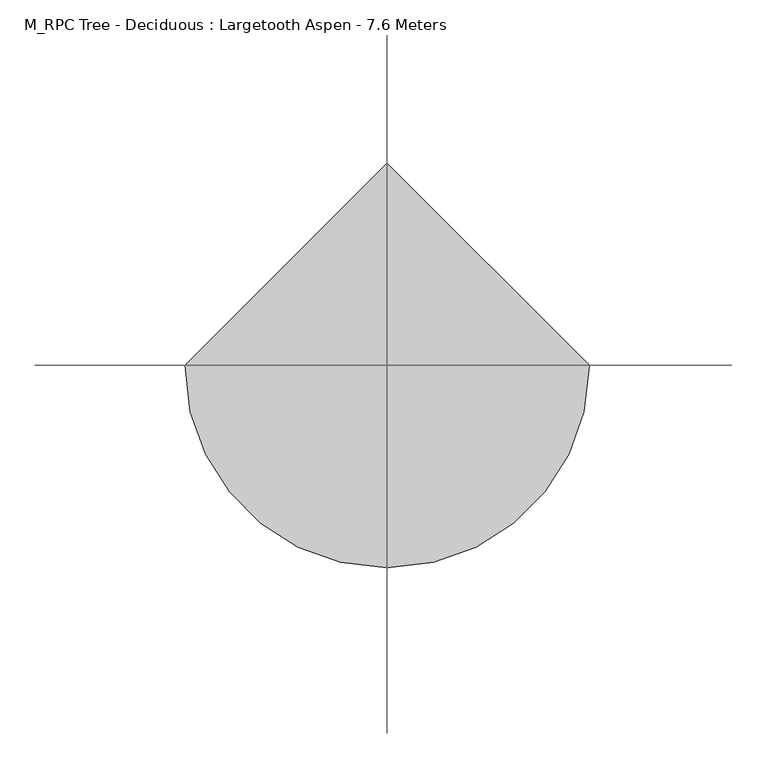
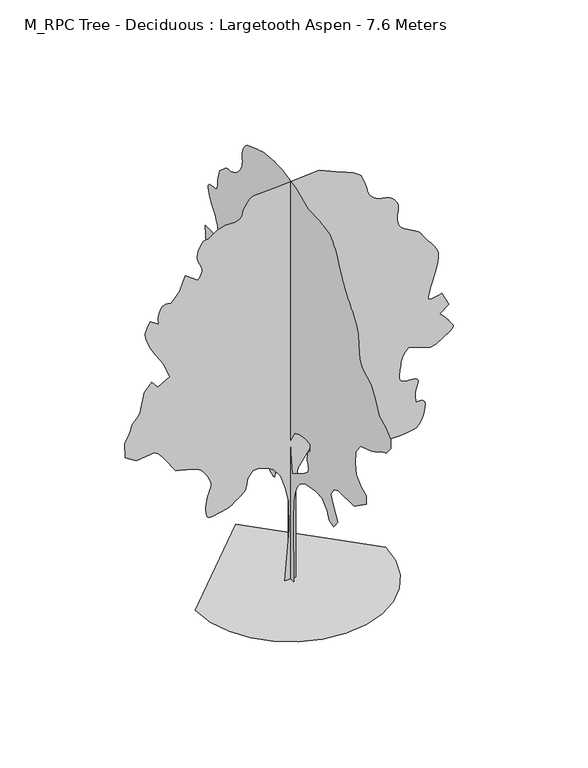
"""IFC4 building model written with IfcOpenShell, lengths in millimetres: geographic element geometry, M_RPC Tree - Deciduous : Largetooth Aspen - 7.6 Meters."""

from ifc_helpers import new_model, si_unit, origin, place, context, project, spatial, triangles, source, transform, mapped, element, save


def m_rpc_tree_deciduous_largetooth_aspen_7_6_meters_a2efc43f(model_context):
    return source(origin(), model_context, "Body", "Tessellation", [
        triangles([(92.8617737, 0.000406, 0.005513), (-103.915959, 0.000406, 0.005513), (-22.8901635, 0.0003494, 949.1680813), (-34.4652064, 0.0003176, 1481.626133), (-92.3406663, 0.0003011, 1759.4311237), (-173.3674883, 0.0002866, 2002.5093098), (-300.6936918, 0.0002762, 2176.1362118), (-404.8693279, 0.0002728, 2234.0127663), (-566.9214277, 0.0002694, 2291.8891754), (-682.6743914, 0.0002694, 2291.8891754), (-763.7004049, 0.0002762, 2176.1362118), (-798.427355, 0.0002852, 2025.6589142), (-801.2950579, 0.0002863, 2008.1460297), (-806.4934324, 0.0002874, 1989.7185207), (-816.3455927, 0.0002886, 1969.4722275), (-833.1871519, 0.0002899, 1946.489764), (-859.3387533, 0.0002915, 1919.8644997), (-897.1360102, 0.0002934, 1888.6816647), (-948.9046526, 0.0002956, 1852.0320122), (-998.3097038, 0.0002977, 1817.003627), (-1032.3247061, 0.0002993, 1790.0718407), (-1058.2431822, 0.0003005, 1769.4200489), (-1083.3510246, 0.0003015, 1753.2219097), (-1114.9365967, 0.0003023, 1739.6560226), (-1160.2933485, 0.000303, 1726.8980804), (-1226.7072453, 0.0003038, 1713.1294441), (-1299.8367931, 0.0003048, 1697.5064152), (-1361.0192505, 0.0003056, 1683.0943588), (-1411.0653236, 0.0003062, 1673.9514576), (-1450.7852829, 0.0003062, 1674.1187439), (-1480.9902706, 0.0003054, 1687.6517841), (-1502.4856155, 0.0003035, 1718.5964069), (-1516.0869656, 0.0003004, 1771.0059986), (-1522.0251205, 0.0002967, 1833.4043701), (-1521.0802654, 0.0002932, 1891.7521168), (-1514.8710514, 0.00029, 1946.2541679), (-1505.0164204, 0.0002869, 1997.1108021), (-1493.1376396, 0.0002841, 2044.5246231), (-1480.8535057, 0.0002815, 2088.6983803), (-1469.7852859, 0.000279, 2129.8370029), (-1458.1775642, 0.0002769, 2165.8103886), (-1444.9485752, 0.000275, 2196.5194153), (-1432.7328964, 0.0002733, 2225.2042923), (-1424.1600185, 0.0002715, 2255.1052288), (-1421.8648098, 0.0002695, 2289.4596725), (-1428.479377, 0.000267, 2331.5079781), (-1446.6356815, 0.0002638, 2384.4900639), (-1473.3978561, 0.0002604, 2441.7913628), (-1503.3976238, 0.0002573, 2494.2338013), (-1535.6266159, 0.0002545, 2541.2094223), (-1569.0690514, 0.0002521, 2582.1226227), (-1602.7142361, 0.00025, 2616.3228607), (-1635.5487144, 0.0002484, 2643.2520309), (-1666.5642632, 0.0002473, 2662.3026123), (-1701.7269424, 0.0002464, 2677.1732162), (-1746.6125748, 0.0002455, 2692.0694), (-1799.5946606, 0.0002446, 2706.940004), (-1859.0568741, 0.0002437, 2721.8358971), (-1923.3782387, 0.0002428, 2736.706501), (-1990.9396671, 0.000242, 2751.5771049), (-2060.1197468, 0.0002411, 2766.4732887), (-2256.8962532, 0.0002238, 3055.8556252), (-2301.7818855, 0.0002202, 3116.5289566), (-2338.160479, 0.0002175, 3161.4195305), (-2367.4508423, 0.0002156, 3193.1367805), (-2391.0741096, 0.0002144, 3214.3154297), (-2410.4440029, 0.0002136, 3227.61549), (-2426.9815109, 0.0002131, 3235.6461044), (-2442.1003555, 0.0002128, 3241.041996), (-2766.1945267, 0.0002148, 3206.3353935), (-2962.9836777, 0.0002073, 3333.6607613), (-2974.5611687, 0.0001914, 3599.8884064), (-2952.3436295, 0.000189, 3639.5351143), (-2930.8609291, 0.0001867, 3678.9789276), (-2910.7717484, 0.0001843, 3718.0428223), (-2892.8103447, 0.0001821, 3756.473616), (-2877.7118477, 0.0001798, 3794.0934128), (-2866.1343567, 0.0001776, 3830.70019), (-2858.8130013, 0.0001755, 3866.1160515), (-2847.3878265, 0.0001735, 3899.5814507), (-2825.6772331, 0.0001716, 3931.2481224), (-2797.4559906, 0.0001698, 3962.0787987), (-2766.6000252, 0.0001679, 3993.137368), (-2736.9852631, 0.000166, 4025.3865623), (-2712.4120537, 0.000164, 4059.8905609), (-2696.7560326, 0.0001617, 4097.611805), (-2627.2919586, 0.000141, 4444.881015), (-2488.4021805, 0.0001321, 4595.3354942), (-2384.2239464, 0.0001396, 4468.0101265), (-2164.2953648, 0.0001327, 4583.7832924), (-2280.0483284, 0.0001155, 4873.1403397), (-2465.2501053, 9.82e-05, 5162.5226761), (-2487.5231644, 9.58e-05, 5203.6643509), (-2513.036142, 9.27e-05, 5254.9385468), (-2539.3601166, 8.93e-05, 5312.268187), (-2564.0600624, 8.58e-05, 5371.6238663), (-2584.7067673, 8.24e-05, 5428.9535065), (-2598.8934013, 7.93e-05, 5480.2277023), (-2604.1628471, 7.69e-05, 5521.3693771), (-2601.4519661, 7.48e-05, 5555.7463486), (-2593.9027176, 7.28e-05, 5589.5407974), (-2582.2746483, 7.08e-05, 5622.8038834), (-2567.4293335, 6.89e-05, 5655.6611801), (-2550.1521904, 6.69e-05, 5688.2394241), (-2531.2585762, 6.5e-05, 5720.5903564), (-2511.5516396, 6.31e-05, 5752.8651306), (-2361.0744873, 6.93e-05, 5648.6941635), (-2365.8675087, 6.73e-05, 5681.019516), (-2369.6472198, 6.54e-05, 5713.8518143), (-2371.4003105, 6.34e-05, 5747.6968414), (-2370.118412, 6.13e-05, 5783.0621246), (-2364.7857433, 5.9e-05, 5820.4540283), (-2354.391465, 5.67e-05, 5860.3794983), (-2337.9248829, 5.41e-05, 5903.344899), (-2316.394075, 5.19e-05, 5940.9141174), (-2291.8258072, 5.04e-05, 5965.7155106), (-2264.7267345, 4.95e-05, 5979.8768555), (-2235.6036575, 4.92e-05, 5985.5515091), (-2204.9604698, 4.92e-05, 5984.8422501), (-2173.3064426, 4.95e-05, 5979.8768555), (-2141.1459057, 5e-05, 5972.7831024), (-1990.6686081, 3.96e-05, 6146.4178528), (-1886.4928448, 2.44e-05, 6401.0680069), (-1666.5642632, 3.41e-05, 6239.0110382), (-1644.4939533, 3.23e-05, 6268.8284042), (-1623.9409927, 3.05e-05, 6298.823085), (-1606.4256374, 2.87e-05, 6329.2229736), (-1593.4675621, 2.69e-05, 6360.2309647), (-1586.584552, 2.5e-05, 6392.0749512), (-1587.2913403, 2.3e-05, 6424.9066681), (-1597.1131245, 2.1e-05, 6458.9545898), (-1613.1085144, 1.89e-05, 6493.7879288), (-1630.1173599, 1.68e-05, 6529.2043716), (-1646.3153538, 1.46e-05, 6565.8614365), (-1659.8813862, 1.23e-05, 6604.3428085), (-1668.993766, 9.9e-06, 6645.2304291), (-1671.8286221, 7.3e-06, 6689.1585617), (-1666.5642632, 4.4e-06, 6736.759726), (-1653.9432312, 1.5e-06, 6785.3747818), (-1636.4607227, -1.2e-06, 6830.974324), (-1614.9299149, -3.6e-06, 6871.9131042), (-1590.1616592, -5.7e-06, 6906.5691284), (-1562.9612846, -7.3e-06, 6933.3209839), (-1534.1394974, -8.3e-06, 6950.5728378), (-1504.512236, -8.7e-06, 6956.6782791), (-1471.3382435, -9.2e-06, 6965.0132355), (-1431.8891979, -1.05e-05, 6986.521225), (-1386.9707188, -1.22e-05, 7015.9078033), (-1337.3959831, -1.41e-05, 7047.9291046), (-1283.9756973, -1.59e-05, 7077.315683), (-1227.5178062, -1.72e-05, 7098.8236725), (-1168.8306908, -1.77e-05, 7107.1580475), (-1109.0314339, -1.76e-05, 7106.8289978), (-1050.4481638, -1.77e-05, 7107.2847839), (-995.7104439, -1.79e-05, 7110.8060806), (-947.4530697, -1.84e-05, 7119.5718246), (-908.3054592, -1.94e-05, 7135.8353668), (-880.9024807, -2.09e-05, 7161.8273849), (-867.8760956, -2.32e-05, 7199.7512329), (-856.9422426, -2.61e-05, 7248.5941818), (-835.6824938, -2.93e-05, 7302.6804153), (-806.5264246, -3.26e-05, 7357.4009125), (-771.9008492, -3.56e-05, 7408.0420074), (-734.2403572, -3.81e-05, 7449.9940979), (-695.9718355, -3.98e-05, 7478.5696793), (-659.5247869, -4.04e-05, 7489.1335693), (-323.8458215, -4.18e-05, 7512.2885513), (509.5693688, -4.53e-05, 7570.1751343), (926.2744205, -3.42e-05, 7384.9631836), (995.3532709, -3.26e-05, 7357.5526474), (1062.2078384, -3.09e-05, 7329.4578506), (1124.6038118, -2.92e-05, 7299.9195374), (1180.3219225, -2.73e-05, 7268.2778641), (1227.1277138, -2.52e-05, 7233.7741562), (1262.7970482, -2.29e-05, 7195.7485703), (1285.1055702, -2.04e-05, 7153.4674301), (1299.9533558, -1.79e-05, 7111.9461273), (1314.5985374, -1.58e-05, 7075.1117477), (1328.8409821, -1.37e-05, 7040.480722), (1342.4753242, -1.16e-05, 7005.6473831), (1355.2991055, -9.4e-06, 6968.1799026), (1367.1094311, -6.8e-06, 6925.6702881), (1377.7063133, -3.9e-06, 6875.662294), (1393.5345623, -8e-07, 6823.9573105), (1419.2834267, 2e-06, 6778.1292938), (1452.117905, 4.3e-06, 6738.3811386), (1489.2059029, 6.3e-06, 6704.890741), (1527.709948, 7.9e-06, 6677.9104111), (1564.7979458, 9.1e-06, 6657.5936279), (1597.6348949, 9.9e-06, 6644.1415421), (1628.0070236, 1.04e-05, 6636.0856384), (1659.1872425, 1.07e-05, 6630.6638763), (1690.5726814, 1.1e-05, 6626.230426), (1721.5527672, 1.13e-05, 6621.2144531), (1751.5195427, 1.17e-05, 6613.9439667), (1779.8675217, 1.24e-05, 6602.8481323), (1805.9861309, 1.34e-05, 6586.2799576), (1831.2638031, 1.47e-05, 6563.7586578), (1856.5388592, 1.63e-05, 6536.6015945), (1880.3977226, 1.82e-05, 6505.7959167), (1901.4218754, 2.02e-05, 6472.3560974), (1918.1949795, 2.23e-05, 6437.2948654), (1929.2986622, 2.44e-05, 6401.625531), (1933.3139694, 2.65e-05, 6366.3364059), (1929.8053173, 2.9e-05, 6325.1191544), (1922.2457497, 3.2e-05, 6273.1351181), (1915.0916805, 3.56e-05, 6213.8805954), (1912.7964718, 3.93e-05, 6150.775145), (1919.8163921, 4.31e-05, 6087.2644867), (1940.6048035, 4.67e-05, 6026.7937592), (1979.615649, 5e-05, 5972.7831024), (2034.2165314, 5.26e-05, 5927.5631882), (2096.1082478, 5.5e-05, 5888.8289246), (2161.2401733, 5.71e-05, 5853.1340103), (2225.5615379, 5.92e-05, 5817.0088898), (2285.0238968, 6.16e-05, 5777.0584213), (2335.5764797, 6.44e-05, 5729.8118866), (2373.1711327, 6.79e-05, 5671.8491455), (2411.6421856, 7.17e-05, 5607.223439), (2462.6659607, 7.56e-05, 5541.7878983), (2518.9567108, 7.96e-05, 5474.7303635), (2573.2307236, 8.38e-05, 5405.2410004), (2618.1721664, 8.81e-05, 5332.5093933), (2646.5201454, 9.27e-05, 5255.7495438), (2650.9785942, 9.76e-05, 5174.0998764), (2634.6386032, 0.0001032, 5079.7841217), (2608.190799, 0.0001097, 4970.8762344), (2575.6628426, 0.0001165, 4855.508567), (2541.0826859, 0.0001233, 4741.7367325), (2508.5622871, 0.0001295, 4637.6927925), (2482.1043091, 0.0001347, 4551.4835197), (2465.7718758, 0.0001383, 4491.1648178), (2464.9611694, 0.0001404, 4454.9635391), (2480.5538223, 0.0001417, 4433.9369156), (2509.8113388, 0.0001422, 4425.5769608), (2550.0001648, 0.0001421, 4427.3248192), (2598.3867462, 0.0001415, 4436.6727951), (2652.2453773, 0.0001407, 4451.0876129), (2708.839888, 0.0001396, 4468.0101265), (2836.1652557, 0.0001548, 4213.3596817), (2674.1332855, 0.0001624, 4086.0346046), (2698.8841003, 0.0001637, 4063.6400414), (2723.4573097, 0.0001651, 4040.7132431), (2747.6253113, 0.0001665, 4016.7987144), (2771.1852104, 0.0001681, 3991.3386406), (2793.9344032, 0.0001697, 3963.8772354), (2815.6705765, 0.0001715, 3933.8828453), (2836.1652557, 0.0001735, 3900.8482338), (2858.1037422, 0.0001754, 3868.6749069), (2881.2584335, 0.000177, 3840.554821), (2901.1702995, 0.0001786, 3814.8921432), (2913.3811821, 0.0001801, 3790.0148827), (2913.4570496, 0.0001816, 3764.3269157), (2896.9144547, 0.0001833, 3736.232119), (2859.3199471, 0.0001852, 3704.0590828), (2604.6695023, 0.0001955, 3530.4243324), (2500.4962097, 0.0001962, 3518.8471321), (2118.5182171, 0.0001886, 3646.1722092), (2091.3836815, 0.0001903, 3618.7110947), (2065.163625, 0.000192, 3590.1349319), (2040.7651142, 0.0001938, 3559.3298355), (2019.0975414, 0.0001958, 3525.1551773), (2001.0780018, 0.0001981, 3486.5726486), (1987.6134167, 0.0002008, 3442.3913338), (1979.615649, 0.0002038, 3391.5220551), (1974.0473843, 0.0002068, 3342.1474525), (1967.6684132, 0.0002092, 3301.2848305), (1961.0868382, 0.0002113, 3266.096862), (1954.9106163, 0.0002132, 3233.7206406), (1949.7477047, 0.0002151, 3201.3699989), (1946.2035896, 0.0002172, 3166.1567413), (1944.888699, 0.0002197, 3125.2941193), (1953.8643139, 0.000222, 3086.7368797), (1977.0163891, 0.0002236, 3059.0981598), (2008.6704163, 0.0002247, 3040.5542336), (2043.1591541, 0.0002254, 3029.3316628), (2074.8131813, 0.0002257, 3023.5555618), (2097.9652565, 0.0002259, 3021.4277847), (2106.9408714, 0.0002259, 3021.1237335), (2119.5973663, 0.0002258, 3022.0103073), (2151.4868443, 0.0002258, 3022.4663841), (2193.5021576, 0.000226, 3019.2997169), (2236.5307812, 0.0002266, 3009.2421913), (2271.4578644, 0.0002278, 2989.0771431), (2289.1759689, 0.0002298, 2955.5102966), (2280.5702442, 0.0002328, 2905.3758568), (2259.8146797, 0.0002362, 2847.8691925), (2246.3499493, 0.0002394, 2794.0105614), (2238.9578133, 0.0002425, 2743.191861), (2236.4270084, 0.0002453, 2694.7799904), (2237.5416206, 0.0002481, 2648.2174255), (2241.0857357, 0.0002508, 2602.8707748), (2245.8432941, 0.0002535, 2558.1066467), (2285.1910378, 0.0002532, 2562.540097), (2322.5171024, 0.0002531, 2563.730722), (2355.7899261, 0.0002535, 2558.4106979), (2382.9903008, 0.0002544, 2543.4133575), (2402.0916058, 0.000256, 2515.4278564), (2411.0672207, 0.0002587, 2471.2540993), (2407.8954666, 0.0002625, 2407.6395229), (2395.1731327, 0.0002668, 2334.9507912), (2376.9836906, 0.0002708, 2266.9155544), (2353.5301804, 0.0002745, 2205.3632069), (2325.0124443, 0.0002777, 2152.110062), (2291.6383186, 0.0002803, 2108.9801365), (2253.6054657, 0.0002821, 2077.7999176), (2211.1189602, 0.0002832, 2060.3858643), (2171.2620907, 0.0002837, 2051.7801395), (2137.4826118, 0.000284, 2045.4011684), (2104.5113686, 0.0002843, 2040.64361), (2067.0864727, 0.0002845, 2036.8967457), (2019.9412399, 0.0002847, 2033.5578506), (1957.8137821, 0.000285, 2030.0137356), (1875.4374149, 0.0002852, 2025.6589142), (1785.9069786, 0.0002851, 2027.1105698), (1704.880965, 0.0002844, 2040.1039627), (1630.9405655, 0.000283, 2062.7139198), (1562.6724941, 0.0002812, 2093.0175934), (1498.6551807, 0.0002791, 2129.0947517), (1437.4727234, 0.0002767, 2169.0176056), (1377.7063133, 0.0002742, 2210.8631618), (1123.0508543, 0.0002597, 2453.9412025), (856.8231365, 0.0002528, 2569.6841377), (544.2937391, 0.0002542, 2546.5547356), (393.8164052, 0.0002611, 2430.7917435), (289.6407691, 0.00027, 2280.3144459), (127.5871523, 0.0002838, 2048.8109894), (92.8617737, 0.0003011, 1759.4311237), (92.8617737, 0.0003383, 1134.3723289), (-0.0023646, 90.6053344, 1.1e-05), (-0.0023646, -94.5971056, 0.0), (-0.0023646, -83.0220672, 1157.5168465), (-0.0023646, -94.5971056, 1527.9227257), (-0.0023646, -140.8980313, 1724.6992321), (-0.0023646, -210.3490428, 1875.1765297), (-0.0023646, -302.9508941, 1990.9294933), (-0.0023646, -441.8534077, 2071.9555069), (-0.0023646, -557.6038279, 2095.1051113), (-0.0023646, -789.1072117, 2141.4067909), (-0.0023646, -985.8861889, 2129.8320614), (-0.0023646, -1136.3635592, 1979.3546185), (-0.0023646, -1205.8147705, 1840.4521957), (-0.0023646, -1333.1399929, 1794.1505161), (-0.0023646, -1472.042561, 1967.7774181), (-0.0023646, -1321.5652634, 2199.2832001), (-0.0023646, -1252.1139793, 2361.3353725), (-0.0023646, -1333.1399929, 2500.2354698), (-0.0023646, -1483.6172905, 2569.6841377), (-0.0023646, -1969.7736626, 2569.6841377), (-0.0023646, -2351.7542713, 2835.9117828), (-0.0023646, -2351.7542713, 2997.9690422), (-0.0023646, -2189.7022442, 3067.4075363), (-0.0023646, -2039.2249466, 3206.3101044), (-0.0023646, -2004.5004673, 3403.0992554), (-0.0023646, -2027.6500717, 3634.5950089), (-0.0023646, -2178.1273693, 3831.3841599), (-0.0023646, -2444.3551598, 3923.9773453), (-0.0023646, -2488.9367409, 3941.4068047), (-0.0023646, -2533.110498, 3959.1147354), (-0.0023646, -2576.4735489, 3977.4307686), (-0.0023646, -2618.6279526, 3996.6839539), (-0.0023646, -2659.1612343, 4017.1280548), (-0.0023646, -2697.6678955, 4039.0918304), (-0.0023646, -2733.7427284, 4062.8799133), (-0.0023646, -2768.4493309, 4086.3386559), (-0.0023646, -2803.1812225, 4107.3652794), (-0.0023646, -2837.9131142, 4126.3652824), (-0.0023646, -2872.6450058, 4143.7438728), (-0.0023646, -2907.351899, 4159.9065491), (-0.0023646, -2942.0837906, 4175.258519), (-0.0023646, -2976.8156822, 4190.2052811), (-0.0023646, -3104.1407593, 4352.2622498), (-0.0023646, -3104.1407593, 4514.3195091), (-0.0023646, -2953.6609909, 4653.2220772), (-0.0023646, -2756.8971291, 4757.3924629), (-0.0023646, -2629.5467628, 5000.4657074), (-0.0023646, -2502.234185, 5185.6776581), (-0.0023646, -2224.4290489, 5336.1574265), (-0.0023646, -2143.4030354, 5463.4827942), (-0.0023646, -2120.2509602, 5718.1329483), (-0.0023646, -2097.1013557, 5926.4743011), (-0.0023646, -2072.264645, 5978.4327576), (-0.0023646, -2047.225185, 6029.4540619), (-0.0023646, -2021.7779011, 6078.651059), (-0.0023646, -1995.7251308, 6125.1127579), (-0.0023646, -1968.8641251, 6167.9514221), (-0.0023646, -1940.9873383, 6206.2043198), (-0.0023646, -1911.8997242, 6239.0110382), (-0.0023646, -1875.8225658, 6277.7964615), (-0.0023646, -1830.2327614, 6330.9455429), (-0.0023646, -1779.7788643, 6393.0121033), (-0.0023646, -1729.1274502, 6458.4988037), (-0.0023646, -1682.9270725, 6521.9838821), (-0.0023646, -1645.83922, 6577.9705811), (-0.0023646, -1622.5198586, 6620.9865601), (-0.0023646, -1605.6807701, 6657.1372604), (-0.0023646, -1585.6016178, 6696.1255783), (-0.0023646, -1563.2930958, 6737.9253525), (-0.0023646, -1539.7736012, 6782.5877426), (-0.0023646, -1516.0490318, 6830.0627518), (-0.0023646, -1493.1350235, 6880.3742157), (-0.0023646, -1472.042561, 6933.5238785), (-0.0023646, -1448.8245014, 6986.749118), (-0.0023646, -1419.5316673, 7037.5425293), (-0.0023646, -1385.1770782, 7086.3087387), (-0.0023646, -1346.7743351, 7133.4541168), (-0.0023646, -1305.3316612, 7179.3832901), (-0.0023646, -1261.8673084, 7224.5020477), (-0.0023646, -1217.3895727, 7269.2155975), (-0.0023646, -893.2828297, 7327.0766006), (-0.0023646, -546.029062, 7338.653801), (-0.0023646, -175.623419, 7500.711351), (-0.0023646, 264.2314734, 7593.3045364), (-0.0023646, 323.6937959, 7595.7363647), (-0.0023646, 382.7508016, 7597.8641418), (-0.0023646, 440.9996807, 7599.3843979), (-0.0023646, 498.0300296, 7599.9925003), (-0.0023646, 553.4441254, 7599.3843979), (-0.0023646, 606.831528, 7597.2566208), (-0.0023646, 657.7895004, 7593.3045364), (-0.0023646, 706.7891258, 7588.2379852), (-0.0023646, 754.9781902, 7582.5883301), (-0.0023646, 802.9670488, 7575.6974716), (-0.0023646, 851.3612606, 7566.9828873), (-0.0023646, 900.7663118, 7555.8620544), (-0.0023646, 951.7900869, 7541.6751297), (-0.0023646, 1005.0432318, 7523.8657516), (-0.0023646, 1340.7248497, 7408.1181656), (-0.0023646, 1370.3545818, 7383.1138779), (-0.0023646, 1399.173753, 7356.8683868), (-0.0023646, 1426.3741276, 7328.2166473), (-0.0023646, 1451.1425285, 7295.9418732), (-0.0023646, 1472.6733364, 7258.7778625), (-0.0023646, 1490.1558449, 7215.5595703), (-0.0023646, 1502.7768768, 7165.019632), (-0.0023646, 1507.1292274, 7116.7342072), (-0.0023646, 1503.584967, 7077.7714691), (-0.0023646, 1497.0060081, 7043.2421814), (-0.0023646, 1492.2458336, 7008.3076859), (-0.0023646, 1494.1711521, 6968.128743), (-0.0023646, 1507.6358826, 6917.7916992), (-0.0023646, 1537.5012108, 6852.5078934), (-0.0023646, 1578.4019119, 6786.1851974), (-0.0023646, 1620.9238804, 6734.4546341), (-0.0023646, 1663.8485859, 6694.8587952), (-0.0023646, 1705.9652012, 6664.9908508), (-0.0023646, 1746.0576668, 6642.4189728), (-0.0023646, 1782.9075977, 6624.7107513), (-0.0023646, 1815.3063469, 6609.4093597), (-0.0023646, 1845.0703732, 6598.3135254), (-0.0023646, 1874.8345448, 6592.8923447), (-0.0023646, 1904.598571, 6590.2826202), (-0.0023646, 1934.3652134, 6587.6984756), (-0.0023646, 1964.129385, 6582.2522964), (-0.0023646, 1993.8934113, 6571.1558807), (-0.0023646, 2023.6575829, 6551.5483566), (-0.0023646, 2197.2869556, 6401.0680069), (-0.0023646, 2266.7357689, 6181.1500351), (-0.0023646, 2264.4760231, 6146.5445892), (-0.0023646, 2263.5310226, 6112.7751389), (-0.0023646, 2265.2182743, 6080.6021027), (-0.0023646, 2270.8549942, 6050.8858932), (-0.0023646, 2281.7533115, 6024.3875107), (-0.0023646, 2299.23582, 6001.9417877), (-0.0023646, 2324.612178, 5984.3608841), (-0.0023646, 2359.9116222, 5974.3033585), (-0.0023646, 2402.9047829, 5970.5285889), (-0.0023646, 2448.5301956, 5967.9700241), (-0.0023646, 2491.7284309, 5961.5605316), (-0.0023646, 2527.4306122, 5946.2341415), (-0.0023646, 2550.5826874, 5916.92314), (-0.0023646, 2556.1053154, 5868.6127167), (-0.0023646, 2547.4413094, 5812.448703), (-0.0023646, 2532.0893394, 5762.3651321), (-0.0023646, 2511.1641632, 5717.3475311), (-0.0023646, 2485.7878052, 5676.3837524), (-0.0023646, 2457.0700813, 5638.4599045), (-0.0023646, 2426.1228424, 5602.562677), (-0.0023646, 2394.0634621, 5567.6531799), (-0.0023646, 2369.3609001, 5525.4981949), (-0.0023646, 2345.2664406, 5483.4705276), (-0.0023646, 2322.3854244, 5441.6201752), (-0.0023646, 2301.3284248, 5400.0732925), (-0.0023646, 2282.698312, 5358.9321991), (-0.0023646, 2267.1081299, 5318.2974701), (-0.0023646, 2255.160894, 5278.2708435), (-0.0023646, 2248.95168, 5240.6254669), (-0.0023646, 2249.4254883, 5206.6025436), (-0.0023646, 2255.4649452, 5175.6201324), (-0.0023646, 2265.9605255, 5147.0695496), (-0.0023646, 2279.797617, 5120.3426926), (-0.0023646, 2295.861462, 5094.8320404), (-0.0023646, 2313.0374485, 5069.9294907), (-0.0023646, 2463.5147461, 5093.0844727), (-0.0023646, 2648.7240807, 5093.0844727), (-0.0023646, 2625.5693893, 4757.3924629), (-0.0023646, 2417.2130665, 4398.5716324), (-0.0023646, 2409.7574169, 4356.4422272), (-0.0023646, 2402.1979946, 4314.642453), (-0.0023646, 2394.4358231, 4273.4252014), (-0.0023646, 2386.3697456, 4233.1451019), (-0.0023646, 2377.898315, 4194.0559181), (-0.0023646, 2368.9227001, 4156.486409), (-0.0023646, 2359.3391281, 4120.7664963), (-0.0023646, 2344.9953815, 4082.1586784), (-0.0023646, 2323.9712288, 4037.2681046), (-0.0023646, 2299.5044083, 3988.3492882), (-0.0023646, 2274.8373093, 3937.5814568), (-0.0023646, 2253.2051994, 3887.2441223), (-0.0023646, 2237.8507587, 3839.5162216), (-0.0023646, 2232.0114349, 3796.6522682), (-0.0023646, 2236.7360012, 3758.6522621), (-0.0023646, 2249.9651356, 3723.6921867), (-0.0023646, 2270.279884, 3691.2656776), (-0.0023646, 2296.2641991, 3660.865789), (-0.0023646, 2326.5020336, 3631.9602859), (-0.0023646, 2359.5747242, 3604.0936729), (-0.0023646, 2394.0634621, 3576.7337151), (-0.0023646, 2706.5853745, 3646.1722092), (-0.0023646, 2723.8372284, 3596.6458717), (-0.0023646, 2740.3798233, 3547.4991623), (-0.0023646, 2755.5039001, 3499.1884483), (-0.0023646, 2768.4746201, 3452.0686501), (-0.0023646, 2778.6333023, 3406.5699738), (-0.0023646, 2785.245108, 3363.0979179), (-0.0023646, 2787.6266487, 3322.0832703), (-0.0023646, 2774.199852, 3282.9940865), (-0.0023646, 2739.6958534, 3244.7153183), (-0.0023646, 2692.8545265, 3206.6647339), (-0.0023646, 2642.3654572, 3168.1833618), (-0.0023646, 2596.9426483, 3128.7142593), (-0.0023646, 2565.3015564, 3087.5981644), (-0.0023646, 2556.1053154, 3044.2784248), (-0.0023646, 2564.4399811, 3002.6556747), (-0.0023646, 2578.8547989, 2966.5049744), (-0.0023646, 2598.3361679, 2934.9397499), (-0.0023646, 2621.8454887, 2906.9969788), (-0.0023646, 2648.4200294, 2881.7903778), (-0.0023646, 2676.9959015, 2858.3825043), (-0.0023646, 2706.5853745, 2835.9117828), (-0.0023646, 2776.0491577, 2604.4160294), (-0.0023646, 2709.3974121, 2602.1106468), (-0.0023646, 2644.670549, 2600.945311), (-0.0023646, 2583.7946136, 2601.984201), (-0.0023646, 2528.6796638, 2606.3667824), (-0.0023646, 2481.2656975, 2615.2081032), (-0.0023646, 2443.468586, 2629.6226303), (-0.0023646, 2417.2130665, 2650.725412), (-0.0023646, 2391.9710026, 2676.8694557), (-0.0023646, 2357.0109272, 2705.4453278), (-0.0023646, 2313.9494568, 2736.0478203), (-0.0023646, 2264.407568, 2768.2973053), (-0.0023646, 2210.0068188, 2801.7371246), (-0.0023646, 2152.3684765, 2835.987941), (-0.0023646, 2093.1088669, 2870.6436745), (-0.0023646, 2090.6463718, 2833.3785072), (-0.0023646, 2088.2828533, 2795.8345779), (-0.0023646, 2086.1244095, 2757.6572571), (-0.0023646, 2084.2675461, 2718.5680733), (-0.0023646, 2082.8158905, 2678.2879738), (-0.0023646, 2081.8710354, 2636.4626198), (-0.0023646, 2081.533992, 2592.838829), (-0.0023646, 2079.9481876, 2547.390731), (-0.0023646, 2074.514217, 2502.7332825), (-0.0023646, 2064.2212406, 2462.5418404), (-0.0023646, 2048.0560936, 2430.4471424), (-0.0023646, 2025.0077911, 2410.0994019), (-0.0023646, 1994.0631683, 2405.1366234), (-0.0023646, 1954.2062988, 2419.2093109), (-0.0023646, 1909.2219807, 2445.3635284), (-0.0023646, 1863.6321762, 2473.9469582), (-0.0023646, 1817.5331005, 2504.5546829), (-0.0023646, 1771.028817, 2536.7762627), (-0.0023646, 1724.222953, 2570.216082), (-0.0023646, 1677.2144852, 2604.4921875), (-0.0023646, 1630.1020992, 2639.147921), (-0.0023646, 1352.2995792, 2720.1639061), (-0.0023646, 1074.4945158, 2627.5707207), (-0.0023646, 900.8676138, 2419.2093109), (-0.0023646, 923.2419748, 2389.5794334), (-0.0023646, 945.9203871, 2360.7602623), (-0.0023646, 969.204213, 2333.5598877), (-0.0023646, 993.4000471, 2308.7914867), (-0.0023646, 1018.8119408, 2287.2608242), (-0.0023646, 1045.7412563, 2269.7783157), (-0.0023646, 1074.4945158, 2257.1571384), (-0.0023646, 1101.897567, 2244.8731499), (-0.0023646, 1125.0471714, 2228.3379673), (-0.0023646, 1144.6551315, 2208.258815), (-0.0023646, 1161.4257648, 2185.344952), (-0.0023646, 1176.07349, 2160.305492), (-0.0023646, 1189.3025517, 2133.8473686), (-0.0023646, 1201.8222816, 2106.6798409), (-0.0023646, 1169.4919149, 2099.1888737), (-0.0023646, 1136.6573639, 2091.3937099), (-0.0023646, 1102.8070318, 2082.9907345), (-0.0023646, 1067.4417486, 2073.6756054), (-0.0023646, 1030.0497723, 2063.1471783), (-0.0023646, 990.1269911, 2051.0986404), (-0.0023646, 947.16675, 2037.2285568), (-0.0023646, 904.2091249, 2020.3237747), (-0.0023646, 864.2863438, 1999.7708141), (-0.0023646, 826.8943674, 1976.1830097), (-0.0023646, 791.5265408, 1950.1630863), (-0.0023646, 757.6786795, 1922.3217625), (-0.0023646, 724.8442011, 1893.2645245), (-0.0023646, 692.5138344, 1863.6018002), (-0.0023646, 692.5138344, 1701.5496277), (-0.0023646, 650.5998957, 1674.7216141), (-0.0023646, 610.2059223, 1650.6246838), (-0.0023646, 572.8469018, 1631.9970417), (-0.0023646, 540.0453429, 1621.5699165), (-0.0023646, 513.3187039, 1622.0765717), (-0.0023646, 494.1844431, 1636.2505611), (-0.0023646, 484.160055, 1666.8252937), (-0.0023646, 479.2682024, 1701.4811726), (-0.0023646, 474.7791232, 1728.6487003), (-0.0023646, 471.100714, 1752.1706657), (-0.0023646, 468.638328, 1775.8927643), (-0.0023646, 467.7947385, 1803.6682491), (-0.0023646, 468.9752624, 1839.3374382), (-0.0023646, 472.5852528, 1886.7512592), (-0.0023646, 475.5213744, 1938.6212036), (-0.0023646, 474.8120427, 1985.6298168), (-0.0023646, 471.0677945, 2028.5899853), (-0.0023646, 464.8915363, 2068.3100899), (-0.0023646, 456.893805, 2105.6006916), (-0.0023646, 447.6800869, 2141.2724968), (-0.0023646, 437.8608825, 2176.1311249), (-0.0023646, 241.0823958, 2187.7059998), (-0.0023646, 136.90626, 1990.9294933), (-0.0023646, 79.030296, 1655.2479481), (-0.0023646, 79.030296, 1226.9681305), (-0.0023646, 79.030296, 590.3344608), (-0.0022449, -48.2969385, 2025.6538273), (-0.0022449, -1.9959556, 2396.0597065), (-0.0022449, 9.5791312, 2615.9935204), (-0.0022449, -129.3229929, 2835.9117828), (-0.0022449, -279.801326, 2905.3758568), (-0.0022449, -453.4282099, 2928.5049683), (-0.0022449, -615.4803097, 2928.5049683), (-0.0022449, -615.4803097, 2789.62798), (-0.0022449, -534.4542598, 2720.1639061), (-0.0022449, -511.3046917, 2558.1066467), (-0.0022449, -521.1568156, 2548.0241226), (-0.0022449, -530.6061298, 2536.9279976), (-0.0022449, -539.2448104, 2523.7927528), (-0.0022449, -546.6699749, 2507.6277512), (-0.0022449, -552.4738358, 2487.4115433), (-0.0022449, -556.2535832, 2462.1366325), (-0.0022449, -557.6038279, 2430.7840405), (-0.0022449, -554.2294335, 2398.4207542), (-0.0022449, -544.7801193, 2370.3109875), (-0.0022449, -530.2691955, 2345.7427197), (-0.0022449, -511.7075014, 2324.0093079), (-0.0022449, -490.1108545, 2304.4038185), (-0.0022449, -466.4875508, 2286.2145218), (-0.0022449, -441.8534077, 2268.7320133), (-1707.3661331, 0.0, 0.0031185), (-1662.2297894, -391.2146745, 0.0030952), (-1533.678479, -750.4840605, 0.0030738), (-1332.01012, -1067.5126745, 0.0030549), (-1067.5126745, -1332.01012, 0.0030391), (-750.4840605, -1533.678479, 0.0030271), (-391.2146745, -1662.2297894, 0.0030194), (7.48e-05, -1707.3661331, 0.0030167), (391.2146745, -1662.2297894, 0.0030194), (750.4840605, -1533.678479, 0.0030271), (1067.5126745, -1332.01012, 0.0030391), (1332.01012, -1067.5126745, 0.0030549), (1533.678479, -750.4840605, 0.0030738), (1662.2297894, -391.2146745, 0.0030952), (1707.3661331, 0.0001493, 0.0031185), (-0.0002245, 1707.3661331, 0.0032203)], [[122, 123, 124], [87, 88, 89], [1, 2, 3], [329, 1, 3], [329, 3, 4], [328, 329, 4], [328, 4, 5], [105, 106, 107], [327, 328, 5], [327, 5, 6], [104, 105, 107], [238, 239, 240], [238, 240, 241], [237, 238, 241], [236, 237, 241], [103, 104, 107], [86, 87, 89], [235, 236, 241], [102, 103, 107], [101, 102, 107], [100, 101, 107], [99, 100, 107], [98, 99, 107], [97, 98, 107], [96, 97, 107], [327, 6, 7], [326, 327, 7], [95, 96, 107], [70, 71, 72], [69, 70, 72], [69, 72, 73], [69, 73, 74], [69, 74, 75], [69, 75, 76], [69, 76, 77], [69, 77, 78], [94, 95, 107], [234, 235, 241], [93, 94, 107], [69, 78, 79], [69, 79, 80], [69, 80, 81], [69, 81, 82], [69, 82, 83], [69, 83, 84], [69, 84, 85], [68, 69, 85], [325, 326, 7], [325, 7, 8], [67, 68, 85], [92, 93, 107], [91, 92, 107], [60, 61, 62], [67, 85, 86], [67, 86, 89], [67, 89, 90], [66, 67, 90], [65, 66, 90], [64, 65, 90], [63, 64, 90], [62, 63, 90], [60, 62, 90], [59, 60, 90], [58, 59, 90], [57, 58, 90], [56, 57, 90], [55, 56, 90], [54, 55, 90], [53, 54, 90], [284, 285, 286], [283, 284, 286], [282, 283, 286], [282, 286, 287], [281, 282, 287], [280, 281, 287], [279, 280, 287], [279, 287, 288], [278, 279, 288], [277, 278, 288], [277, 288, 289], [276, 277, 289], [275, 276, 289], [275, 289, 290], [52, 53, 90], [325, 8, 9], [121, 122, 124], [275, 290, 291], [30, 31, 32], [29, 30, 32], [29, 32, 33], [28, 29, 33], [28, 33, 34], [27, 28, 34], [27, 34, 35], [27, 35, 36], [26, 27, 36], [26, 36, 37], [26, 37, 38], [25, 26, 38], [25, 38, 39], [24, 25, 39], [23, 24, 39], [22, 23, 39], [21, 22, 39], [20, 21, 39], [20, 39, 40], [20, 40, 41], [20, 41, 42], [19, 20, 42], [19, 42, 43], [18, 19, 43], [18, 43, 44], [17, 18, 44], [16, 17, 44], [15, 16, 44], [14, 15, 44], [13, 14, 44], [12, 13, 44], [11, 12, 44], [11, 44, 45], [11, 45, 46], [10, 11, 46], [10, 46, 47], [10, 47, 48], [10, 48, 49], [10, 49, 50], [10, 50, 51], [252, 253, 254], [251, 252, 254], [251, 254, 255], [250, 251, 255], [249, 250, 255], [249, 255, 256], [248, 249, 256], [247, 248, 256], [246, 247, 256], [245, 246, 256], [245, 256, 257], [245, 257, 258], [244, 245, 258], [243, 244, 258], [242, 243, 258], [241, 242, 258], [234, 241, 258], [233, 234, 258], [274, 275, 291], [324, 325, 9], [51, 52, 90], [10, 51, 90], [9, 10, 90], [324, 9, 90], [323, 324, 90], [323, 90, 91], [323, 91, 107], [323, 107, 108], [323, 108, 109], [323, 109, 110], [323, 110, 111], [323, 111, 112], [323, 112, 113], [323, 113, 114], [323, 114, 115], [323, 115, 116], [323, 116, 117], [323, 117, 118], [323, 118, 119], [323, 119, 120], [323, 120, 121], [323, 121, 124], [323, 124, 125], [323, 125, 126], [323, 126, 127], [323, 127, 128], [323, 128, 129], [322, 323, 129], [322, 129, 130], [167, 168, 169], [274, 291, 292], [296, 297, 298], [296, 298, 299], [295, 296, 299], [294, 295, 299], [294, 299, 300], [293, 294, 300], [293, 300, 301], [293, 301, 302], [293, 302, 303], [293, 303, 304], [293, 304, 305], [293, 305, 306], [293, 306, 307], [293, 307, 308], [293, 308, 309], [293, 309, 310], [293, 310, 311], [293, 311, 312], [293, 312, 313], [293, 313, 314], [293, 314, 315], [293, 315, 316], [293, 316, 317], [293, 317, 318], [293, 318, 319], [292, 293, 319], [274, 292, 319], [274, 319, 320], [274, 320, 321], [274, 321, 322], [273, 274, 322], [273, 322, 130], [272, 273, 130], [271, 272, 130], [270, 271, 130], [269, 270, 130], [268, 269, 130], [267, 268, 130], [266, 267, 130], [265, 266, 130], [264, 265, 130], [263, 264, 130], [262, 263, 130], [261, 262, 130], [260, 261, 130], [259, 260, 130], [258, 259, 130], [233, 258, 130], [232, 233, 130], [231, 232, 130], [230, 231, 130], [229, 230, 130], [228, 229, 130], [227, 228, 130], [226, 227, 130], [225, 226, 130], [224, 225, 130], [223, 224, 130], [222, 223, 130], [221, 222, 130], [220, 221, 130], [219, 220, 130], [218, 219, 130], [217, 218, 130], [216, 217, 130], [215, 216, 130], [214, 215, 130], [213, 214, 130], [212, 213, 130], [211, 212, 130], [210, 211, 130], [209, 210, 130], [208, 209, 130], [207, 208, 130], [206, 207, 130], [205, 206, 130], [204, 205, 130], [203, 204, 130], [202, 203, 130], [201, 202, 130], [200, 201, 130], [199, 200, 130], [198, 199, 130], [197, 198, 130], [196, 197, 130], [195, 196, 130], [194, 195, 130], [193, 194, 130], [192, 193, 130], [191, 192, 130], [190, 191, 130], [189, 190, 130], [188, 189, 130], [187, 188, 130], [186, 187, 130], [185, 186, 130], [184, 185, 130], [183, 184, 130], [182, 183, 130], [181, 182, 130], [180, 181, 130], [179, 180, 130], [178, 179, 130], [177, 178, 130], [176, 177, 130], [175, 176, 130], [174, 175, 130], [173, 174, 130], [172, 173, 130], [171, 172, 130], [170, 171, 130], [169, 170, 130], [167, 169, 130], [167, 130, 131], [167, 131, 132], [167, 132, 133], [167, 133, 134], [167, 134, 135], [167, 135, 136], [164, 165, 166], [164, 166, 167], [163, 164, 167], [162, 163, 167], [161, 162, 167], [160, 161, 167], [159, 160, 167], [158, 159, 167], [143, 144, 145], [142, 143, 145], [141, 142, 145], [140, 141, 145], [140, 145, 146], [139, 140, 146], [138, 139, 146], [137, 138, 146], [136, 137, 146], [136, 146, 147], [136, 147, 148], [136, 148, 149], [136, 149, 150], [136, 150, 151], [136, 151, 152], [136, 152, 153], [136, 153, 154], [136, 154, 155], [136, 155, 156], [157, 158, 167], [157, 167, 136], [157, 136, 156], [634, 330, 635], [633, 634, 635], [632, 633, 635], [631, 632, 635], [540, 541, 542], [592, 593, 594], [494, 495, 496], [635, 330, 331], [635, 331, 332], [635, 332, 333], [635, 333, 334], [635, 334, 335], [658, 635, 335], [658, 335, 336], [658, 336, 337], [658, 337, 338], [540, 542, 543], [657, 658, 338], [631, 635, 636], [630, 631, 636], [518, 519, 520], [656, 657, 338], [656, 338, 339], [655, 656, 339], [654, 655, 339], [653, 654, 339], [540, 543, 544], [539, 540, 544], [518, 520, 521], [539, 544, 545], [538, 539, 545], [538, 545, 546], [538, 546, 547], [538, 547, 548], [537, 538, 548], [537, 548, 549], [536, 537, 549], [536, 549, 550], [536, 550, 551], [535, 536, 551], [535, 551, 552], [534, 535, 552], [493, 494, 496], [493, 496, 497], [343, 344, 345], [342, 343, 345], [341, 342, 345], [340, 341, 345], [340, 345, 346], [534, 552, 553], [533, 534, 553], [518, 521, 522], [350, 351, 352], [349, 350, 352], [349, 352, 353], [348, 349, 353], [533, 553, 554], [652, 653, 339], [518, 522, 523], [518, 523, 524], [533, 554, 555], [532, 533, 555], [518, 524, 525], [518, 525, 526], [518, 526, 527], [518, 527, 528], [518, 528, 529], [518, 529, 530], [518, 530, 531], [518, 531, 532], [518, 532, 555], [517, 518, 555], [516, 517, 555], [515, 516, 555], [607, 608, 609], [591, 592, 594], [591, 594, 595], [590, 591, 595], [590, 595, 596], [589, 590, 596], [588, 589, 596], [588, 596, 597], [587, 588, 597], [586, 587, 597], [586, 597, 598], [585, 586, 598], [585, 598, 599], [584, 585, 599], [584, 599, 600], [583, 584, 600], [583, 600, 601], [582, 583, 601], [514, 515, 555], [643, 644, 645], [630, 636, 637], [629, 630, 637], [581, 582, 601], [581, 601, 602], [348, 353, 354], [580, 581, 602], [580, 602, 603], [579, 580, 603], [651, 652, 339], [651, 339, 340], [651, 340, 346], [650, 651, 346], [649, 650, 346], [649, 346, 347], [648, 649, 347], [647, 648, 347], [646, 647, 347], [372, 373, 374], [371, 372, 374], [370, 371, 374], [369, 370, 374], [369, 374, 375], [368, 369, 375], [367, 368, 375], [366, 367, 375], [365, 366, 375], [364, 365, 375], [363, 364, 375], [362, 363, 375], [361, 362, 375], [360, 361, 375], [359, 360, 375], [358, 359, 375], [357, 358, 375], [356, 357, 375], [356, 375, 376], [356, 376, 377], [356, 377, 378], [645, 646, 347], [643, 645, 347], [642, 643, 347], [641, 642, 347], [641, 347, 348], [641, 348, 354], [641, 354, 355], [607, 609, 610], [513, 514, 555], [579, 603, 604], [607, 610, 611], [607, 611, 612], [607, 612, 613], [607, 613, 614], [607, 614, 615], [607, 615, 616], [607, 616, 617], [607, 617, 618], [607, 618, 619], [607, 619, 620], [607, 620, 621], [607, 621, 622], [607, 622, 623], [607, 623, 624], [606, 607, 624], [606, 624, 625], [605, 606, 625], [605, 625, 626], [604, 605, 626], [579, 604, 626], [579, 626, 627], [579, 627, 628], [579, 628, 629], [579, 629, 637], [578, 579, 637], [578, 637, 638], [355, 356, 378], [641, 355, 378], [641, 378, 379], [640, 641, 379], [639, 640, 379], [639, 379, 380], [639, 380, 381], [639, 381, 382], [639, 382, 383], [639, 383, 384], [639, 384, 385], [639, 385, 386], [639, 386, 387], [639, 387, 388], [639, 388, 389], [639, 389, 390], [639, 390, 391], [639, 391, 392], [639, 392, 393], [639, 393, 394], [639, 394, 395], [638, 639, 395], [578, 638, 395], [577, 578, 395], [577, 395, 396], [577, 396, 397], [577, 397, 398], [577, 398, 399], [577, 399, 400], [577, 400, 401], [577, 401, 402], [577, 402, 403], [577, 403, 404], [577, 404, 405], [577, 405, 406], [577, 406, 407], [577, 407, 408], [577, 408, 409], [577, 409, 410], [577, 410, 411], [577, 411, 412], [577, 412, 413], [577, 413, 414], [577, 414, 415], [577, 415, 416], [577, 416, 417], [577, 417, 418], [577, 418, 419], [577, 419, 420], [577, 420, 421], [577, 421, 422], [577, 422, 423], [577, 423, 424], [577, 424, 425], [577, 425, 426], [577, 426, 427], [577, 427, 428], [577, 428, 429], [577, 429, 430], [577, 430, 431], [577, 431, 432], [577, 432, 433], [577, 433, 434], [566, 567, 568], [566, 568, 569], [565, 566, 569], [564, 565, 569], [564, 569, 570], [563, 564, 570], [563, 570, 571], [562, 563, 571], [562, 571, 572], [561, 562, 572], [560, 561, 572], [560, 572, 573], [559, 560, 573], [559, 573, 574], [558, 559, 574], [558, 574, 575], [557, 558, 575], [556, 557, 575], [556, 575, 576], [555, 556, 576], [513, 555, 576], [513, 576, 577], [512, 513, 577], [511, 512, 577], [470, 471, 472], [469, 470, 472], [468, 469, 472], [468, 472, 473], [467, 468, 473], [467, 473, 474], [467, 474, 475], [466, 467, 475], [466, 475, 476], [466, 476, 477], [465, 466, 477], [465, 477, 478], [465, 478, 479], [464, 465, 479], [464, 479, 480], [464, 480, 481], [464, 481, 482], [463, 464, 482], [456, 457, 458], [456, 458, 459], [456, 459, 460], [510, 511, 577], [463, 482, 483], [455, 456, 460], [454, 455, 460], [453, 454, 460], [452, 453, 460], [451, 452, 460], [450, 451, 460], [450, 460, 461], [449, 450, 461], [449, 461, 462], [463, 483, 484], [492, 493, 497], [448, 449, 462], [447, 448, 462], [491, 492, 497], [462, 463, 484], [447, 462, 484], [447, 484, 485], [446, 447, 485], [446, 485, 486], [445, 446, 486], [445, 486, 487], [444, 445, 487], [444, 487, 488], [491, 497, 498], [509, 510, 577], [491, 498, 499], [491, 499, 500], [490, 491, 500], [490, 500, 501], [490, 501, 502], [490, 502, 503], [490, 503, 504], [490, 504, 505], [490, 505, 506], [490, 506, 507], [490, 507, 508], [490, 508, 509], [490, 509, 577], [489, 490, 577], [488, 489, 577], [444, 488, 577], [443, 444, 577], [442, 443, 577], [441, 442, 577], [440, 441, 577], [435, 436, 437], [434, 435, 437], [434, 437, 438], [434, 438, 439], [577, 434, 439], [440, 577, 439], [673, 674, 659], [672, 673, 659], [672, 659, 660], [671, 672, 660], [671, 660, 661], [671, 661, 662], [670, 671, 662], [669, 670, 662], [669, 662, 663], [669, 663, 664], [669, 664, 665], [669, 665, 666], [669, 666, 667], [669, 667, 668]], closed=False),
    ])


if __name__ == "__main__":
    model = new_model("IFC4")
    model_context = context("Model", 3, world=origin())
    ifc_project = project(units=[si_unit("LENGTHUNIT", "METRE", prefix="MILLI")], contexts=[model_context])
    site = spatial("IfcSite", under=ifc_project)
    building = spatial("IfcBuilding", under=site)
    placement = place(None, origin())
    m_rpc_tree_deciduous_largetooth_aspen_7_6_meters_shape = m_rpc_tree_deciduous_largetooth_aspen_7_6_meters_a2efc43f(model_context)
    element("IfcGeographicElement", 1, ObjectType="M_RPC Tree - Deciduous : Largetooth Aspen - 7.6 Meters", at=placement, inside=building, context=model_context, shape_type="MappedRepresentation", body=[
        mapped(m_rpc_tree_deciduous_largetooth_aspen_7_6_meters_shape, transform((0.0, 0.0, 0.0), x_axis=(1.0, 0.0, 0.0), y_axis=(0.0, 1.0, 0.0), z_axis=(0.0, 0.0, 1.0))),
    ])
    save(model, "model.ifc")
